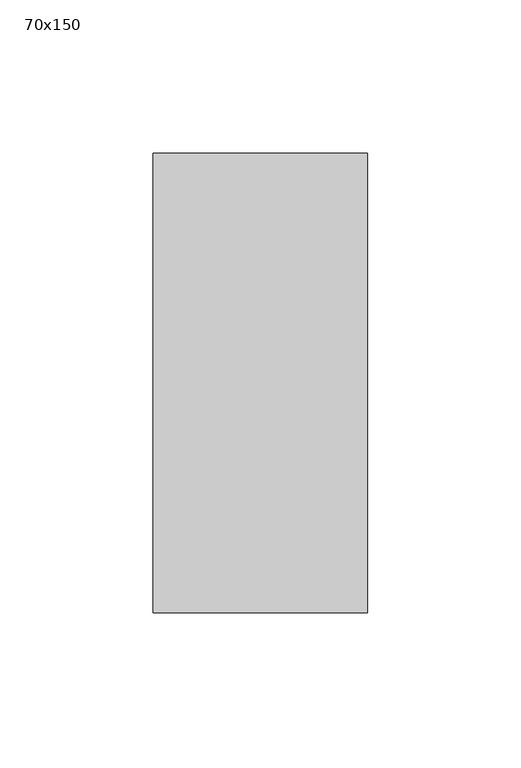
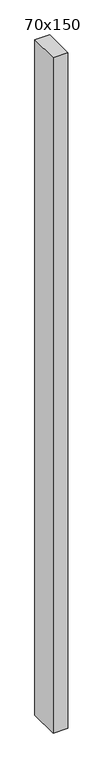
"""IFC4 building model written with IfcOpenShell, lengths in millimetres: member geometry, 70x150."""

from ifc_helpers import new_model, si_unit, frame, origin, place, context, project, spatial, polyline, outline, extrude, source, transform, mapped, element, save


def member_70x150_0479a1cf(model_context):
    return source(origin(), model_context, "Body", "SweptSolid", [
        extrude(outline(polyline([(0.0, 75.0), (0.0, -75.0), (-70.0, -75.0), (-70.0, 75.0), (0.0, 75.0)])), frame((0.0, 0.0, -3395.0), z_axis=(0.0, 0.0, 1.0), x_axis=(1.0, 0.0, 0.0)), (0.0, 0.0, 1.0), 3395.0),
    ])


if __name__ == "__main__":
    model = new_model("IFC4")
    model_context = context("Model", 3, world=origin())
    ifc_project = project(units=[si_unit("LENGTHUNIT", "METRE", prefix="MILLI")], contexts=[model_context])
    site = spatial("IfcSite", under=ifc_project)
    building = spatial("IfcBuilding", under=site)
    placement = place(None, origin())
    member_70x150_shape = member_70x150_0479a1cf(model_context)
    element("IfcMember", 1, ObjectType="70x150", at=placement, inside=building, context=model_context, shape_type="MappedRepresentation", body=[
        mapped(member_70x150_shape, transform((0.0, 0.0, 0.0), x_axis=(1.0, 0.0, 0.0), y_axis=(0.0, 1.0, 0.0), z_axis=(0.0, 0.0, 1.0))),
    ])
    save(model, "model.ifc")
